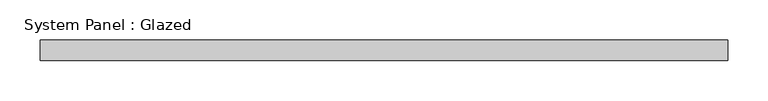
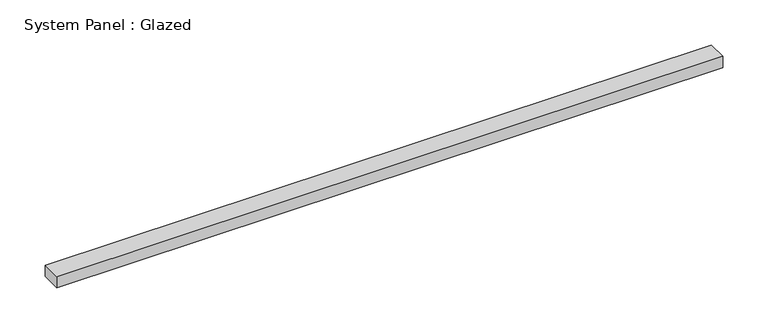
"""IFC4 building model written with IfcOpenShell, lengths in millimetres: plate geometry, System Panel : Glazed."""

from ifc_helpers import new_model, si_unit, origin, origin_with_axes, place, context, project, spatial, polyline, outline, extrude, source, transform, mapped, element, save


def system_panel_glazed_4a685f8b(model_context):
    return source(origin(), model_context, "Body", "SweptSolid", [
        extrude(outline(polyline([(425.0, -49.5), (-425.0, -49.5), (-425.0, -24.5), (425.0, -24.5), (425.0, -49.5)])), origin_with_axes(), (0.0, 0.0, 1.0), 15.0),
    ])


if __name__ == "__main__":
    model = new_model("IFC4")
    model_context = context("Model", 3, world=origin())
    ifc_project = project(units=[si_unit("LENGTHUNIT", "METRE", prefix="MILLI")], contexts=[model_context])
    site = spatial("IfcSite", under=ifc_project)
    building = spatial("IfcBuilding", under=site)
    placement = place(None, origin())
    system_panel_glazed_shape = system_panel_glazed_4a685f8b(model_context)
    element("IfcPlate", 1, ObjectType="System Panel : Glazed", at=placement, inside=building, context=model_context, shape_type="MappedRepresentation", body=[
        mapped(system_panel_glazed_shape, transform((0.0, 0.0, 0.0), x_axis=(1.0, 0.0, 0.0), y_axis=(0.0, 1.0, 0.0), z_axis=(0.0, 0.0, 1.0))),
    ])
    save(model, "model.ifc")
